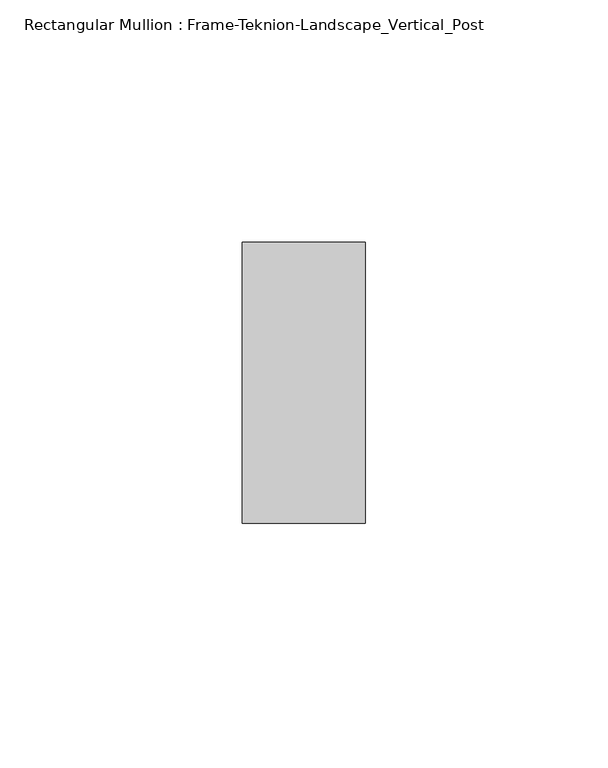
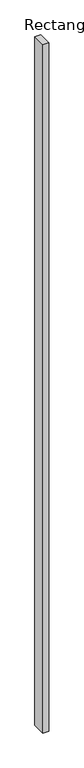
"""IFC4 building model written with IfcOpenShell, lengths in millimetres: member geometry, Rectangular Mullion : Frame-Teknion-Landscape_Vertical_Post."""

from ifc_helpers import new_model, si_unit, frame, origin, place, context, project, spatial, polyline, outline, extrude, source, transform, mapped, element, save


def rectangular_mullion_frame_teknion_landscape_vertical_post_404f7ea1(model_context):
    return source(origin(), model_context, "Body", "SweptSolid", [
        extrude(outline(polyline([(-12.7, -28.971875), (-12.7, 28.971875), (12.7, 28.971875), (12.7, -28.971875), (-12.7, -28.971875)])), frame((0.0, 0.0, -3048.0), z_axis=(0.0, 0.0, 1.0), x_axis=(1.0, 0.0, 0.0)), (0.0, 0.0, 1.0), 3048.0),
    ])


if __name__ == "__main__":
    model = new_model("IFC4")
    model_context = context("Model", 3, world=origin())
    ifc_project = project(units=[si_unit("LENGTHUNIT", "METRE", prefix="MILLI")], contexts=[model_context])
    site = spatial("IfcSite", under=ifc_project)
    building = spatial("IfcBuilding", under=site)
    placement = place(None, origin())
    rectangular_mullion_frame_teknion_landscape_vertical_post_shape = rectangular_mullion_frame_teknion_landscape_vertical_post_404f7ea1(model_context)
    element("IfcMember", 1, ObjectType="Rectangular Mullion : Frame-Teknion-Landscape_Vertical_Post", at=placement, inside=building, context=model_context, shape_type="MappedRepresentation", body=[
        mapped(rectangular_mullion_frame_teknion_landscape_vertical_post_shape, transform((0.0, 0.0, 0.0), x_axis=(1.0, 0.0, 0.0), y_axis=(0.0, 1.0, 0.0), z_axis=(0.0, 0.0, 1.0))),
    ])
    save(model, "model.ifc")
